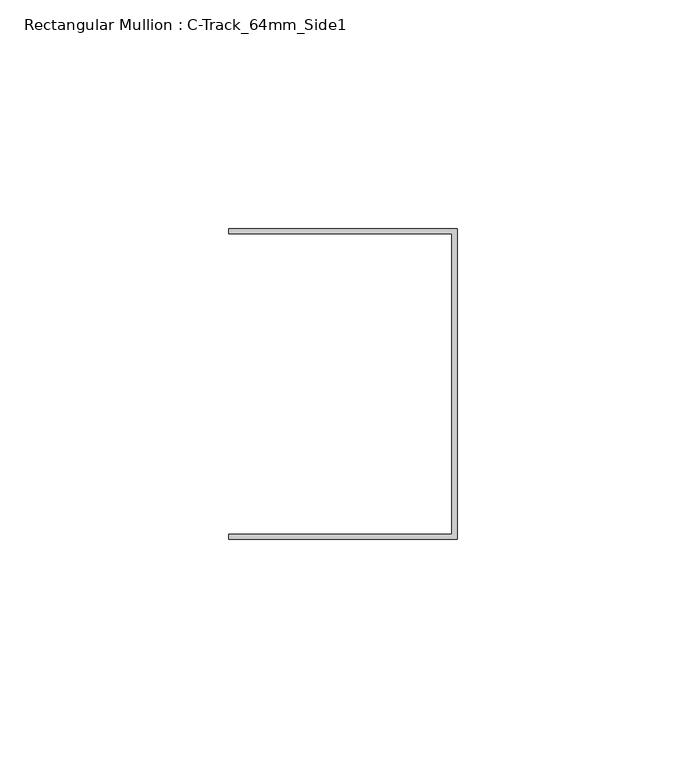
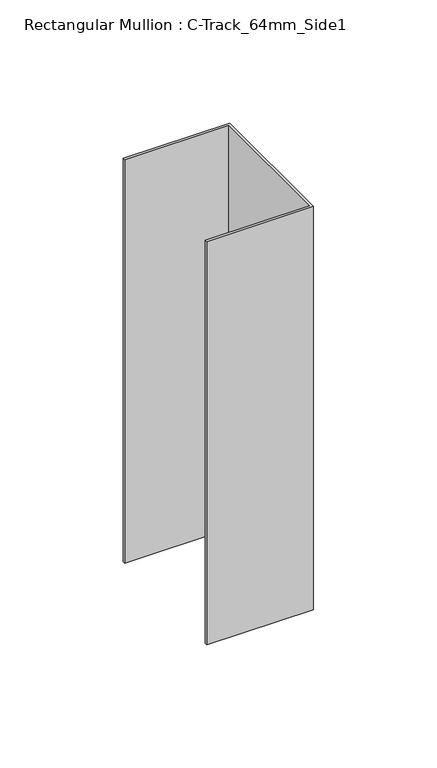
"""IFC4 building model written with IfcOpenShell, lengths in millimetres: member geometry, Rectangular Mullion : C-Track_64mm_Side1."""

from ifc_helpers import new_model, si_unit, frame, origin, place, context, project, spatial, polyline, outline, extrude, source, transform, mapped, element, save


def rectangular_mullion_c_track_64mm_side1_ee9d2002(model_context):
    return source(origin(), model_context, "Body", "SweptSolid", [
        extrude(outline(polyline([(-1.15, 32.85), (-50.0, 32.85), (-50.0, 34.0), (0.0, 34.0), (0.0, -34.0), (-50.0, -34.0), (-50.0, -32.85), (-1.15, -32.85), (-1.15, 32.85)])), frame((0.0, 0.0, -200.0), z_axis=(0.0, 0.0, 1.0), x_axis=(1.0, 0.0, 0.0)), (0.0, 0.0, 1.0), 200.0),
    ])


if __name__ == "__main__":
    model = new_model("IFC4")
    model_context = context("Model", 3, world=origin())
    ifc_project = project(units=[si_unit("LENGTHUNIT", "METRE", prefix="MILLI")], contexts=[model_context])
    site = spatial("IfcSite", under=ifc_project)
    building = spatial("IfcBuilding", under=site)
    placement = place(None, origin())
    rectangular_mullion_c_track_64mm_side1_shape = rectangular_mullion_c_track_64mm_side1_ee9d2002(model_context)
    element("IfcMember", 1, ObjectType="Rectangular Mullion : C-Track_64mm_Side1", at=placement, inside=building, context=model_context, shape_type="MappedRepresentation", body=[
        mapped(rectangular_mullion_c_track_64mm_side1_shape, transform((0.0, 0.0, 0.0), x_axis=(1.0, 0.0, 0.0), y_axis=(0.0, 1.0, 0.0), z_axis=(0.0, 0.0, 1.0))),
    ])
    save(model, "model.ifc")
